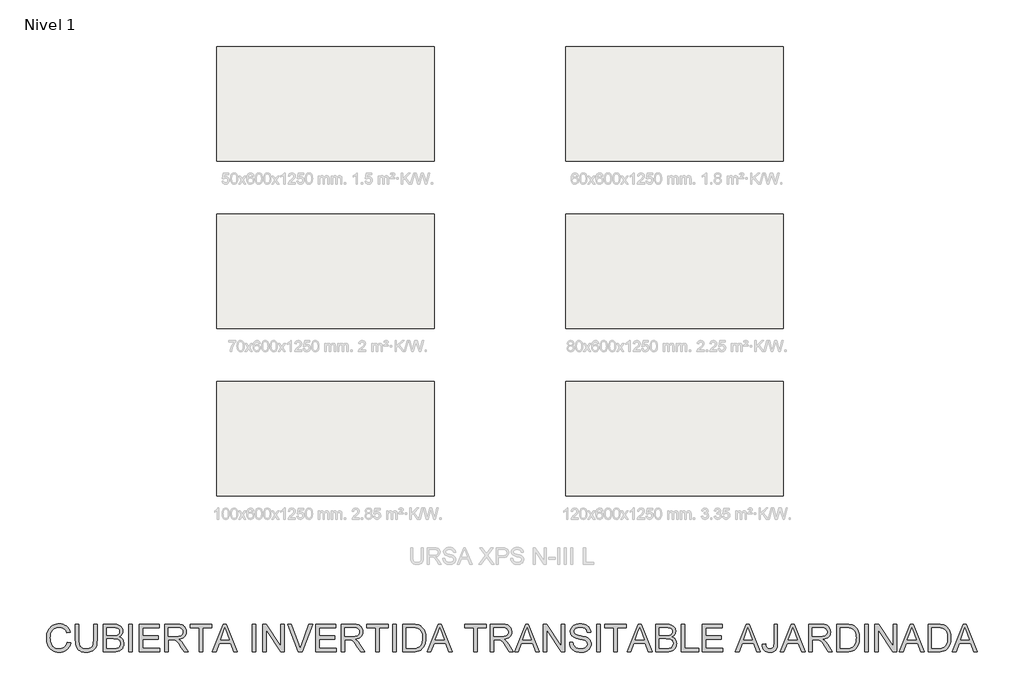
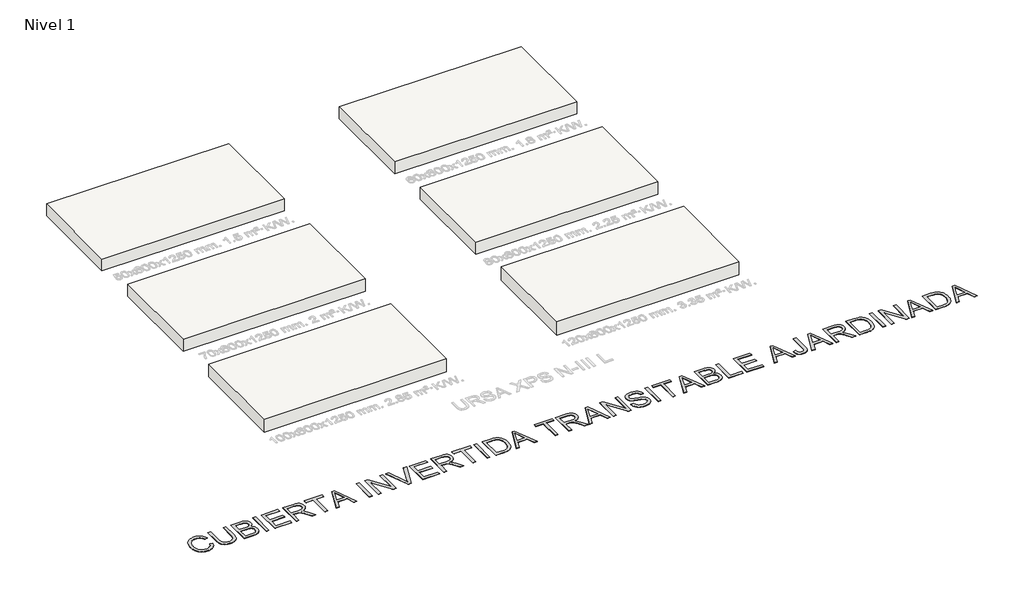
# One storey, part 1 of 7: 6 roofs, 1 proxy.
"""IFC4 building model written with IfcOpenShell, lengths in millimetres."""

from ifc_helpers import new_model, si_unit, origin, origin_with_axes, place, context, project, spatial, polyline, outline, extrude, element, save

model = new_model("IFC4")

# Units and contexts
model_context = context("Model", 3, world=origin())
ifc_project = project(units=[si_unit("LENGTHUNIT", "METRE", prefix="MILLI")], contexts=[model_context])

# Site, building, storey
site = spatial("IfcSite", under=ifc_project)
building = spatial("IfcBuilding", under=site)
storey = spatial("IfcBuildingStorey", under=building, Name="Nivel 1", Elevation=0.0)

# Proxy
placement = place(None, origin())
element("IfcBuildingElementProxy", 1, Name="Texto de modelo 2", ObjectType="Texto de modelo 2", at=placement, inside=storey, context=model_context, shape_type="SweptSolid", body=[
    extrude(outline(polyline([(-31459.4791696, -17259.2340137), (-31333.908782, -17291.6076293), (-31358.7561451, -17369.698247), (-31391.8501962, -17437.9326929), (-31433.1909354, -17496.310967), (-31456.953813, -17521.8040396), (-31482.7783627, -17544.8330693), (-31539.4935036, -17582.9778337), (-31602.2173838, -17610.2240939), (-31670.9500032, -17626.5718501), (-31745.6913619, -17632.0211022), (-31822.2644663, -17627.8977581), (-31891.3419752, -17615.527726), (-31952.9238883, -17594.9110059), (-32007.0102058, -17566.0475977), (-32054.3443558, -17529.3666971), (-32095.6697666, -17485.2974997), (-32130.9864382, -17433.8400057), (-32160.2943705, -17374.9942149), (-32183.3099878, -17311.3046444), (-32199.7497144, -17245.3158116), (-32209.6135504, -17177.0277162), (-32212.9014958, -17106.4403584), (-32209.1843548, -17030.7026526), (-32198.0329318, -16959.9620106), (-32179.4472268, -16894.2184324), (-32153.4272399, -16833.471918), (-32120.5554508, -16778.7264786), (-32081.4143393, -16730.9861255), (-32036.0039055, -16690.2508587), (-31984.3241494, -16656.5206783), (-31928.1301747, -16630.0714957), (-31869.1770849, -16611.1792224), (-31807.4648803, -16599.8438584), (-31742.9935606, -16596.0654037), (-31671.1722652, -16600.9551686), (-31605.3137239, -16615.6244631), (-31545.4179366, -16640.0732874), (-31491.4849032, -16674.3016414), (-31444.4036721, -16717.4051485), (-31405.0632912, -16768.4794321), (-31373.4637606, -16827.5244924), (-31349.6050804, -16894.5403292), (-31475.1754681, -16924.4613981), (-31494.9491253, -16875.0809045), (-31518.7081709, -16832.8894381), (-31546.4526047, -16797.8869991), (-31578.1824268, -16770.0735875), (-31614.0815781, -16748.8820517), (-31654.3339998, -16733.7452404), (-31698.9396917, -16724.6631537), (-31747.8986539, -16721.6357914), (-31804.2305844, -16724.9927146), (-31855.7493921, -16735.0634842), (-31902.4550771, -16751.8481003), (-31944.3476393, -16775.3465627), (-31980.8982484, -16804.5012108), (-32011.5780739, -16838.2543839), (-32036.387116, -16876.6060819), (-32055.3253745, -16919.5563048), (-32069.3278829, -16965.1583438), (-32079.3296747, -17011.46549), (-32085.3307497, -17058.4777433), (-32087.3311081, -17106.1951037), (-32084.9628677, -17166.1598689), (-32077.8581467, -17222.2005595), (-32066.016945, -17274.3171755), (-32049.4392626, -17322.5097169), (-32027.8568522, -17365.8201576), (-32001.0014665, -17403.2904717), (-31968.8731056, -17434.920659), (-31931.4717695, -17460.7107197), (-31890.6138754, -17480.7219674), (-31848.1158407, -17495.0157158), (-31803.9776655, -17503.5919648), (-31758.1993497, -17506.4507145), (-31703.6071945, -17502.5572967), (-31653.3836379, -17490.8770433), (-31607.5286801, -17471.4099544), (-31566.0423209, -17444.15603), (-31529.9055791, -17409.2378972), (-31500.0994733, -17366.7781836), (-31476.6240035, -17316.7768891), (-31459.4791696, -17259.2340137)])), origin_with_axes(), (0.0, 0.0, 1.0), 10.0),
    extrude(outline(polyline([(-30502.0049635, -16611.7617022), (-30376.4345758, -16611.7617022), (-30376.4345758, -17191.2984719), (-30378.5652257, -17263.0584536), (-30384.9571754, -17327.0162713), (-30395.6104248, -17383.171925), (-30410.5249741, -17431.5254148), (-30430.98841, -17473.9084863), (-30458.2883198, -17512.1528854), (-30492.4247032, -17546.258612), (-30533.3975605, -17576.2256662), (-30581.2528767, -17600.6361694), (-30636.0366371, -17618.0722432), (-30697.7488418, -17628.5338874), (-30766.3894907, -17632.0211022), (-30833.3363496, -17628.9860757), (-30893.8912589, -17619.8809963), (-30948.0542185, -17604.705864), (-30995.8252284, -17583.4606788), (-31037.2119528, -17556.4596732), (-31072.2220561, -17524.0170797), (-31100.855538, -17486.1328984), (-31123.1123987, -17442.8071293), (-31139.79738, -17392.5529159), (-31151.7152238, -17333.8834019), (-31158.8659301, -17266.7985872), (-31161.2494989, -17191.2984719), (-31161.2494989, -16611.7617022), (-31035.6791112, -16611.7617022), (-31035.6791112, -17186.883888), (-31034.1309411, -17247.5920814), (-31029.486431, -17299.73169), (-31021.7455806, -17343.3027138), (-31010.9083902, -17378.3051528), (-30996.3004093, -17407.2681957), (-30977.2471876, -17432.7210313), (-30953.7487252, -17454.6636594), (-30925.805022, -17473.0960802), (-30893.9525726, -17487.6887327), (-30858.7278715, -17498.1120559), (-30820.1309189, -17504.3660498), (-30778.1617146, -17506.4507145), (-30708.9539142, -17502.3273704), (-30650.4453486, -17489.9573384), (-30602.6360176, -17469.3406182), (-30582.7435652, -17455.9397501), (-30565.5259214, -17440.47721), (-30550.6381969, -17422.0831102), (-30537.7355023, -17399.8875632), (-30517.885203, -17344.0921273), (-30505.9750234, -17273.0909022), (-30502.0049635, -17186.883888), (-30502.0049635, -16611.7617022)])), origin_with_axes(), (0.0, 0.0, 1.0), 10.0),
    extrude(outline(polyline([(-30156.6863974, -17616.3248037), (-30156.6863974, -16611.7617022), (-29773.3533584, -16611.7617022), (-29717.7495277, -16613.6087764), (-29667.92451, -16619.1499989), (-29623.8783053, -16628.3853699), (-29585.6109135, -16641.3148891), (-29552.1489804, -16658.0765125), (-29522.5191514, -16678.8081958), (-29496.7214265, -16703.509939), (-29474.7558057, -16732.181742), (-29457.212433, -16763.2064569), (-29444.6814526, -16794.9669358), (-29437.1628643, -16827.4631787), (-29434.6566682, -16860.6951856), (-29436.7643255, -16891.3903396), (-29443.0872972, -16921.181117), (-29453.6255836, -16950.0675178), (-29468.3791844, -16978.0495421), (-29487.394085, -17004.25347), (-29510.7162707, -17027.8055819), (-29538.3457414, -17048.7058778), (-29570.2824971, -17066.9543576), (-29532.3829874, -17083.1105085), (-29499.1279878, -17104.1104391), (-29470.5174985, -17129.9541492), (-29446.5515194, -17160.641639), (-29427.6132608, -17195.237875), (-29414.0859333, -17232.8078237), (-29405.9695368, -17273.3514853), (-29403.2640713, -17316.8688596), (-29405.1111455, -17352.5304205), (-29410.652368, -17386.9197229), (-29419.8877389, -17420.0367666), (-29432.8172582, -17451.8815519), (-29448.4752356, -17481.296783), (-29465.895981, -17507.1251648), (-29485.0794942, -17529.3666971), (-29506.0257753, -17548.0213799), (-29529.2253336, -17563.8556341), (-29555.1686784, -17577.6358805), (-29615.2867278, -17599.0343499), (-29688.3419607, -17612.0021903), (-29776.2964144, -17616.3248037), (-30156.6863974, -17616.3248037)]), holes=[polyline([(-30031.1160097, -17019.8654622), (-29801.8028994, -17019.8654622), (-29721.6046244, -17017.1676609), (-29667.8938531, -17009.074257), (-29642.8088996, -17000.9272036), (-29621.0195556, -16990.4655594), (-29602.5258211, -16977.6893243), (-29587.3276962, -16962.5984983), (-29575.4711661, -16945.3003803), (-29567.002216, -16925.9022692), (-29561.9208459, -16904.4041652), (-29560.2270559, -16880.806068), (-29561.8058828, -16858.2119821), (-29566.5423635, -16837.0281106), (-29574.4364979, -16817.2544533), (-29585.4882862, -16798.8910104), (-29599.4831304, -16782.6198963), (-29616.2064328, -16769.1232256), (-29635.6581933, -16758.4009983), (-29657.8384119, -16750.4532144), (-29721.7272518, -16740.612371), (-29819.2159805, -16737.3320899), (-30031.1160097, -16737.3320899), (-30031.1160097, -17019.8654622)]), polyline([(-30031.1160097, -17490.754416), (-29773.5986131, -17490.754416), (-29717.1900405, -17489.5281427), (-29680.401841, -17485.8493227), (-29637.1450497, -17474.966147), (-29601.5524667, -17458.5034278), (-29572.6124164, -17434.9283232), (-29549.3132234, -17402.7079918), (-29533.9541501, -17363.2833047), (-29528.834459, -17318.0951329), (-29530.3366438, -17290.933179), (-29534.8431982, -17265.610635), (-29542.3541223, -17242.1275009), (-29552.869416, -17220.4837769), (-29566.7492971, -17201.3002637), (-29584.3539834, -17185.1977622), (-29605.6834749, -17172.1762724), (-29630.7377716, -17162.2357943), (-29660.6205195, -17154.8858186), (-29696.4353646, -17149.635836), (-29785.8613463, -17145.4358499), (-30031.1160097, -17145.4358499), (-30031.1160097, -17490.754416)])]), origin_with_axes(), (0.0, 0.0, 1.0), 10.0),
    extrude(outline(polyline([(-29214.9084897, -17616.3248037), (-29214.9084897, -16611.7617022), (-29089.3381021, -16611.7617022), (-29089.3381021, -17616.3248037), (-29214.9084897, -17616.3248037)])), origin_with_axes(), (0.0, 0.0, 1.0), 10.0),
    extrude(outline(polyline([(-28838.1973267, -17616.3248037), (-28838.1973267, -16611.7617022), (-28116.1675975, -16611.7617022), (-28116.1675975, -16737.3320899), (-28712.626939, -16737.3320899), (-28712.626939, -17035.5617606), (-28147.5601944, -17035.5617606), (-28147.5601944, -17161.1321483), (-28712.626939, -17161.1321483), (-28712.626939, -17490.754416), (-28100.471299, -17490.754416), (-28100.471299, -17616.3248037), (-28838.1973267, -17616.3248037)])), origin_with_axes(), (0.0, 0.0, 1.0), 10.0),
    extrude(outline(polyline([(-27912.1157175, -17616.3248037), (-27912.1157175, -16611.7617022), (-27479.2412365, -16611.7617022), (-27417.1075004, -16613.4554922), (-27362.8985555, -16618.5368623), (-27316.614402, -16627.0058124), (-27278.2550398, -16638.8623425), (-27245.5901843, -16655.0184935), (-27216.3895509, -16676.386306), (-27190.6531397, -16702.9657802), (-27168.3809506, -16734.7569159), (-27150.4083823, -16770.0505948), (-27137.5708335, -16807.1376985), (-27129.8683042, -16846.0182268), (-27127.3007944, -16886.6921799), (-27131.55443, -16938.2876298), (-27144.3153367, -16985.6524366), (-27165.5835146, -17028.7866006), (-27195.3589636, -17067.6901216), (-27234.0248941, -17101.1213979), (-27281.9645166, -17127.8388278), (-27339.177831, -17147.8424113), (-27405.6648375, -17161.1321483), (-27364.278113, -17188.171475), (-27334.2957304, -17214.8429196), (-27282.8535647, -17275.8500172), (-27232.5150451, -17344.0921273), (-27065.0061099, -17616.3248037), (-27210.9326347, -17616.3248037), (-27341.6533703, -17408.1035944), (-27393.9539273, -17328.6410835), (-27436.0764157, -17270.2704736), (-27471.1784894, -17230.0793656), (-27502.4178022, -17205.1553604), (-27532.001646, -17190.5320511), (-27562.1373127, -17181.2430307), (-27634.9779478, -17176.8284468), (-27786.5453298, -17176.8284468), (-27786.5453298, -17616.3248037), (-27912.1157175, -17616.3248037)]), holes=[polyline([(-27786.5453298, -17051.2580591), (-27505.4834855, -17051.2580591), (-27424.7640444, -17046.8128183), (-27362.1321347, -17033.477096), (-27336.9475464, -17023.2530422), (-27314.9819257, -17010.361844), (-27296.2352723, -16994.8035013), (-27280.7075864, -16976.5780141), (-27268.5291596, -16956.5820948), (-27259.8302832, -16935.7124558), (-27254.6109574, -16913.969097), (-27252.8711821, -16891.3520185), (-27256.1897843, -16859.238986), (-27266.1455908, -16830.0996663), (-27282.7386016, -16803.9340594), (-27305.9688168, -16780.7421653), (-27336.3727308, -16761.7502573), (-27374.4868384, -16748.1846087), (-27420.3111394, -16740.0452196), (-27473.8456339, -16737.3320899), (-27786.5453298, -16737.3320899), (-27786.5453298, -17051.2580591)])]), origin_with_axes(), (0.0, 0.0, 1.0), 10.0),
    extrude(outline(polyline([(-26656.4118406, -17616.3248037), (-26656.4118406, -16737.3320899), (-26986.0341083, -16737.3320899), (-26986.0341083, -16611.7617022), (-26201.2191853, -16611.7617022), (-26201.2191853, -16737.3320899), (-26530.8414529, -16737.3320899), (-26530.8414529, -17616.3248037), (-26656.4118406, -17616.3248037)])), origin_with_axes(), (0.0, 0.0, 1.0), 10.0),
    extrude(outline(polyline([(-26176.9389736, -17616.3248037), (-25775.9475988, -16611.7617022), (-25669.0165656, -16611.7617022), (-25268.0251908, -17616.3248037), (-25400.7079637, -17616.3248037), (-25515.7324009, -17302.3988345), (-25929.4770181, -17302.3988345), (-26044.2562006, -17616.3248037), (-26176.9389736, -17616.3248037)]), holes=[polyline([(-25883.3691414, -17176.8284468), (-25561.595023, -17176.8284468), (-25652.0939938, -16929.8570007), (-25722.4820822, -16737.3320899), (-25785.0220214, -16908.2745903), (-25883.3691414, -17176.8284468)])]), origin_with_axes(), (0.0, 0.0, 1.0), 10.0),
    extrude(outline(polyline([(-24725.7671299, -17616.3248037), (-24725.7671299, -16611.7617022), (-24600.1967422, -16611.7617022), (-24600.1967422, -17616.3248037), (-24725.7671299, -17616.3248037)])), origin_with_axes(), (0.0, 0.0, 1.0), 10.0),
    extrude(outline(polyline([(-24349.0559669, -17616.3248037), (-24349.0559669, -16611.7617022), (-24214.6564113, -16611.7617022), (-23689.8114315, -17407.6130851), (-23689.8114315, -16611.7617022), (-23564.2410438, -16611.7617022), (-23564.2410438, -17616.3248037), (-23698.6405994, -17616.3248037), (-24223.4855792, -16820.2281661), (-24223.4855792, -17616.3248037), (-24349.0559669, -17616.3248037)])), origin_with_axes(), (0.0, 0.0, 1.0), 10.0),
    extrude(outline(polyline([(-23047.7347226, -17616.3248037), (-23447.499824, -16611.7617022), (-23313.1002685, -16611.7617022), (-23045.5274306, -17335.508214), (-23015.7903027, -17419.8145046), (-22991.32615, -17498.6025652), (-22966.4328017, -17416.994076), (-22937.8606334, -17335.508214), (-22669.5520316, -16611.7617022), (-22535.152476, -16611.7617022), (-22917.9950056, -17616.3248037), (-23047.7347226, -17616.3248037)])), origin_with_axes(), (0.0, 0.0, 1.0), 10.0),
    extrude(outline(polyline([(-22418.4112562, -17616.3248037), (-22418.4112562, -16611.7617022), (-21696.381527, -16611.7617022), (-21696.381527, -16737.3320899), (-22292.8408685, -16737.3320899), (-22292.8408685, -17035.5617606), (-21727.7741239, -17035.5617606), (-21727.7741239, -17161.1321483), (-22292.8408685, -17161.1321483), (-22292.8408685, -17490.754416), (-21680.6852285, -17490.754416), (-21680.6852285, -17616.3248037), (-22418.4112562, -17616.3248037)])), origin_with_axes(), (0.0, 0.0, 1.0), 10.0),
    extrude(outline(polyline([(-21492.329647, -17616.3248037), (-21492.329647, -16611.7617022), (-21059.455166, -16611.7617022), (-20997.3214299, -16613.4554922), (-20943.112485, -16618.5368623), (-20896.8283315, -16627.0058124), (-20858.4689693, -16638.8623425), (-20825.8041138, -16655.0184935), (-20796.6034804, -16676.386306), (-20770.8670692, -16702.9657802), (-20748.5948801, -16734.7569159), (-20730.6223118, -16770.0505948), (-20717.784763, -16807.1376985), (-20710.0822337, -16846.0182268), (-20707.5147239, -16886.6921799), (-20711.7683595, -16938.2876298), (-20724.5292662, -16985.6524366), (-20745.7974441, -17028.7866006), (-20775.5728931, -17067.6901216), (-20814.2388236, -17101.1213979), (-20862.1784461, -17127.8388278), (-20919.3917605, -17147.8424113), (-20985.878767, -17161.1321483), (-20944.4920425, -17188.171475), (-20914.5096599, -17214.8429196), (-20863.0674942, -17275.8500172), (-20812.7289746, -17344.0921273), (-20645.2200394, -17616.3248037), (-20791.1465642, -17616.3248037), (-20921.8672998, -17408.1035944), (-20974.1678568, -17328.6410835), (-21016.2903452, -17270.2704736), (-21051.3924189, -17230.0793656), (-21082.6317317, -17205.1553604), (-21112.2155755, -17190.5320511), (-21142.3512422, -17181.2430307), (-21215.1918773, -17176.8284468), (-21366.7592593, -17176.8284468), (-21366.7592593, -17616.3248037), (-21492.329647, -17616.3248037)]), holes=[polyline([(-21366.7592593, -17051.2580591), (-21085.697415, -17051.2580591), (-21004.9779739, -17046.8128183), (-20942.3460642, -17033.477096), (-20917.1614759, -17023.2530422), (-20895.1958552, -17010.361844), (-20876.4492018, -16994.8035013), (-20860.9215159, -16976.5780141), (-20848.7430891, -16956.5820948), (-20840.0442127, -16935.7124558), (-20834.8248869, -16913.969097), (-20833.0851116, -16891.3520185), (-20836.4037138, -16859.238986), (-20846.3595203, -16830.0996663), (-20862.9525311, -16803.9340594), (-20886.1827463, -16780.7421653), (-20916.5866603, -16761.7502573), (-20954.7007679, -16748.1846087), (-21000.5250689, -16740.0452196), (-21054.0595634, -16737.3320899), (-21366.7592593, -16737.3320899), (-21366.7592593, -17051.2580591)])]), origin_with_axes(), (0.0, 0.0, 1.0), 10.0),
    extrude(outline(polyline([(-20236.6257701, -17616.3248037), (-20236.6257701, -16737.3320899), (-20566.2480378, -16737.3320899), (-20566.2480378, -16611.7617022), (-19781.4331148, -16611.7617022), (-19781.4331148, -16737.3320899), (-20111.0553824, -16737.3320899), (-20111.0553824, -17616.3248037), (-20236.6257701, -17616.3248037)])), origin_with_axes(), (0.0, 0.0, 1.0), 10.0),
    extrude(outline(polyline([(-19624.4701301, -17616.3248037), (-19624.4701301, -16611.7617022), (-19498.8997425, -16611.7617022), (-19498.8997425, -17616.3248037), (-19624.4701301, -17616.3248037)])), origin_with_axes(), (0.0, 0.0, 1.0), 10.0),
    extrude(outline(polyline([(-19247.7589671, -17616.3248037), (-19247.7589671, -16611.7617022), (-18901.2141276, -16611.7617022), (-18797.655346, -16615.3792085), (-18721.9329686, -16626.2317273), (-18680.3316464, -16638.1725638), (-18641.857321, -16654.1294453), (-18606.5099927, -16674.102372), (-18574.2896612, -16698.0913437), (-18537.0569377, -16734.0211519), (-18504.8212778, -16774.6107987), (-18477.5826818, -16819.8602841), (-18455.3411495, -16869.7696081), (-18438.0660241, -16923.8789183), (-18425.7266489, -16981.728362), (-18418.3230237, -17043.3179394), (-18415.8551487, -17108.6476504), (-18417.5259461, -17164.174839), (-18422.5383382, -17216.4677318), (-18430.8923252, -17265.5263287), (-18442.587907, -17311.3506297), (-18473.1221126, -17392.1313845), (-18491.2403008, -17426.7965983), (-18511.2592127, -17457.6450364), (-18555.1597975, -17509.3631136), (-18602.9844569, -17548.7571439), (-18657.8908447, -17577.9731057), (-18723.0366146, -17599.1569773), (-18798.5443941, -17612.0328471), (-18884.5368105, -17616.3248037), (-19247.7589671, -17616.3248037)]), holes=[polyline([(-19122.1885794, -17490.754416), (-18899.9878543, -17490.754416), (-18808.0786692, -17486.2172047), (-18770.4474068, -17480.5456906), (-18738.3650311, -17472.6055709), (-18685.7579058, -17450.7165922), (-18663.9608976, -17436.9670026), (-18645.168259, -17421.3473463), (-18621.9993575, -17396.1704222), (-18601.5435857, -17366.9927815), (-18583.8009437, -17333.814424), (-18568.7714313, -17296.6353499), (-18556.8076023, -17255.378917), (-18548.2620101, -17209.9684832), (-18543.1346548, -17160.4040485), (-18541.4255363, -17106.685613), (-18544.7747953, -17033.7836643), (-18554.8225723, -16969.8335108), (-18571.5688673, -16914.8351526), (-18595.0136803, -16868.7885895), (-18623.2562876, -16830.6514893), (-18654.3959657, -16799.3815197), (-18688.4327145, -16774.9786807), (-18725.3665339, -16757.4429723), (-18757.280297, -16748.6444612), (-18797.5940323, -16742.3598105), (-18903.4214196, -16737.3320899), (-19122.1885794, -16737.3320899), (-19122.1885794, -17490.754416)])]), origin_with_axes(), (0.0, 0.0, 1.0), 10.0),
    extrude(outline(polyline([(-18360.1823401, -17616.3248037), (-17959.1909653, -16611.7617022), (-17852.259932, -16611.7617022), (-17451.2685573, -17616.3248037), (-17583.9513302, -17616.3248037), (-17698.9757674, -17302.3988345), (-18112.7203846, -17302.3988345), (-18227.4995671, -17616.3248037), (-18360.1823401, -17616.3248037)]), holes=[polyline([(-18066.6125079, -17176.8284468), (-17744.8383895, -17176.8284468), (-17835.3373603, -16929.8570007), (-17905.7254487, -16737.3320899), (-17968.2653879, -16908.2745903), (-18066.6125079, -17176.8284468)])]), origin_with_axes(), (0.0, 0.0, 1.0), 10.0),
    extrude(outline(polyline([(-16673.5660195, -17616.3248037), (-16673.5660195, -16737.3320899), (-17003.1882872, -16737.3320899), (-17003.1882872, -16611.7617022), (-16218.3733641, -16611.7617022), (-16218.3733641, -16737.3320899), (-16547.9956318, -16737.3320899), (-16547.9956318, -17616.3248037), (-16673.5660195, -17616.3248037)])), origin_with_axes(), (0.0, 0.0, 1.0), 10.0),
    extrude(outline(polyline([(-16077.106678, -17616.3248037), (-16077.106678, -16611.7617022), (-15644.232197, -16611.7617022), (-15582.0984609, -16613.4554922), (-15527.889516, -16618.5368623), (-15481.6053625, -16627.0058124), (-15443.2460003, -16638.8623425), (-15410.5811448, -16655.0184935), (-15381.3805114, -16676.386306), (-15355.6441002, -16702.9657802), (-15333.3719111, -16734.7569159), (-15315.3993428, -16770.0505948), (-15302.561794, -16807.1376985), (-15294.8592647, -16846.0182268), (-15292.2917549, -16886.6921799), (-15296.5453905, -16938.2876298), (-15309.3062972, -16985.6524366), (-15330.5744751, -17028.7866006), (-15360.3499241, -17067.6901216), (-15399.0158546, -17101.1213979), (-15446.9554771, -17127.8388278), (-15504.1687915, -17147.8424113), (-15570.655798, -17161.1321483), (-15529.2690735, -17188.171475), (-15499.2866909, -17214.8429196), (-15447.8445252, -17275.8500172), (-15397.5060056, -17344.0921273), (-15229.9970704, -17616.3248037), (-15375.9235952, -17616.3248037), (-15506.6443308, -17408.1035944), (-15558.9448878, -17328.6410835), (-15601.0673762, -17270.2704736), (-15636.1694499, -17230.0793656), (-15667.4087627, -17205.1553604), (-15696.9926065, -17190.5320511), (-15727.1282732, -17181.2430307), (-15799.9689083, -17176.8284468), (-15951.5362903, -17176.8284468), (-15951.5362903, -17616.3248037), (-16077.106678, -17616.3248037)]), holes=[polyline([(-15951.5362903, -17051.2580591), (-15670.474446, -17051.2580591), (-15589.7550049, -17046.8128183), (-15527.1230952, -17033.477096), (-15501.9385069, -17023.2530422), (-15479.9728862, -17010.361844), (-15461.2262328, -16994.8035013), (-15445.6985469, -16976.5780141), (-15433.5201201, -16956.5820948), (-15424.8212437, -16935.7124558), (-15419.6019179, -16913.969097), (-15417.8621426, -16891.3520185), (-15421.1807448, -16859.238986), (-15431.1365513, -16830.0996663), (-15447.7295621, -16803.9340594), (-15470.9597773, -16780.7421653), (-15501.3636913, -16761.7502573), (-15539.4777989, -16748.1846087), (-15585.3020999, -16740.0452196), (-15638.8365944, -16737.3320899), (-15951.5362903, -16737.3320899), (-15951.5362903, -17051.2580591)])]), origin_with_axes(), (0.0, 0.0, 1.0), 10.0),
    extrude(outline(polyline([(-15189.530051, -17616.3248037), (-14788.5386762, -16611.7617022), (-14681.607643, -16611.7617022), (-14280.6162682, -17616.3248037), (-14413.2990411, -17616.3248037), (-14528.3234783, -17302.3988345), (-14942.0680955, -17302.3988345), (-15056.847278, -17616.3248037), (-15189.530051, -17616.3248037)]), holes=[polyline([(-14895.9602188, -17176.8284468), (-14574.1861004, -17176.8284468), (-14664.6850712, -16929.8570007), (-14735.0731596, -16737.3320899), (-14797.6130988, -16908.2745903), (-14895.9602188, -17176.8284468)])]), origin_with_axes(), (0.0, 0.0, 1.0), 10.0),
    extrude(outline(polyline([(-14146.4619673, -17616.3248037), (-14146.4619673, -16611.7617022), (-14012.0624117, -16611.7617022), (-13487.2174319, -17407.6130851), (-13487.2174319, -16611.7617022), (-13361.6470443, -16611.7617022), (-13361.6470443, -17616.3248037), (-13496.0465998, -17616.3248037), (-14020.8915796, -16820.2281661), (-14020.8915796, -17616.3248037), (-14146.4619673, -17616.3248037)])), origin_with_axes(), (0.0, 0.0, 1.0), 10.0),
    extrude(outline(polyline([(-13188.9877612, -17271.0062376), (-13063.4173735, -17271.0062376), (-13057.6692173, -17307.5568466), (-13049.008662, -17340.6892188), (-13037.4357076, -17370.4033541), (-13022.950354, -17396.6992526), (-13004.8168374, -17420.1057445), (-12982.2993936, -17441.1516603), (-12955.3980227, -17459.837), (-12924.1127247, -17476.1617635), (-12889.5931308, -17489.4131796), (-12852.9888723, -17498.8784767), (-12814.2999491, -17504.557655), (-12773.5263613, -17506.4507145), (-12703.5674686, -17500.7178867), (-12671.8529749, -17493.551852), (-12642.3151164, -17483.5194034), (-12615.6819927, -17470.9807588), (-12592.6817038, -17456.2961358), (-12573.3142496, -17439.4655345), (-12557.5796301, -17420.4889549), (-12545.4012032, -17400.1864673), (-12536.7023269, -17379.378142), (-12531.4830011, -17358.0639789), (-12529.7432258, -17336.243978), (-12534.9548874, -17294.2134601), (-12550.5898722, -17257.8851131), (-12563.7416536, -17241.7672831), (-12582.3503511, -17226.891055), (-12606.415965, -17213.2564285), (-12635.9384951, -17200.8634038), (-12702.2492247, -17181.1510602), (-12818.7758467, -17152.9161171), (-12938.7973476, -17121.186295), (-12982.5982977, -17105.8961996), (-13015.5927141, -17090.9893146), (-13049.1236251, -17070.9857311), (-13078.1019965, -17048.7441988), (-13102.5278281, -17024.2647177), (-13122.4011201, -16997.5472878), (-13137.7985144, -16968.8678206), (-13148.7966532, -16938.5022276), (-13155.3955365, -16906.4505088), (-13157.5951643, -16872.7126641), (-13154.8743703, -16835.3189921), (-13146.7119886, -16799.1669219), (-13133.108019, -16764.2564534), (-13114.0624615, -16730.5875866), (-13089.789914, -16699.5322149), (-13060.5049744, -16672.4622314), (-13026.2076425, -16649.3776362), (-12986.8979185, -16630.2784293), (-12943.9017103, -16615.3102306), (-12898.544926, -16604.6186601), (-12850.8275655, -16598.2037178), (-12800.7496289, -16596.0654037), (-12746.1191527, -16598.3033525), (-12694.7996143, -16605.017199), (-12646.791014, -16616.206943), (-12602.0933515, -16631.8725846), (-12561.5343616, -16651.8761681), (-12525.9417785, -16676.0797377), (-12495.3156024, -16704.4832934), (-12469.6558333, -16737.0868352), (-12449.1617405, -16772.9400013), (-12434.0325934, -16811.0924299), (-12424.2683921, -16851.544121), (-12419.8691366, -16894.2950745), (-12545.4395243, -16894.2950745), (-12553.8394965, -16854.2265939), (-12568.4934627, -16819.3697748), (-12589.4014227, -16789.7246174), (-12616.5633767, -16765.2911215), (-12650.4851623, -16746.1919146), (-12691.6726174, -16732.5496239), (-12740.1257418, -16724.3642496), (-12795.8445357, -16721.6357914), (-12853.3414258, -16724.3335927), (-12902.4690006, -16732.4269966), (-12943.22726, -16745.9160031), (-12975.616204, -16764.8006122), (-13000.2949545, -16787.501997), (-13017.9226334, -16812.4413306), (-13028.4992408, -16839.618613), (-13032.0247766, -16869.0338442), (-13029.5262447, -16894.3410597), (-13022.030649, -16917.2876992), (-13009.5379896, -16937.8737625), (-12992.0482664, -16956.0992497), (-12964.5184305, -16973.3590466), (-12921.1696687, -16990.8027846), (-12862.0019811, -17008.4304635), (-12787.0153678, -17026.2420834), (-12648.5691103, -17059.903286), (-12599.8554027, -17075.1244035), (-12564.8146427, -17089.2725319), (-12526.3173247, -17110.7169866), (-12493.2309378, -17134.8285857), (-12465.5554819, -17161.6073292), (-12443.290957, -17191.0532173), (-12426.17678, -17223.0129656), (-12413.9523678, -17257.3332901), (-12406.6177206, -17294.0141907), (-12404.1728381, -17333.0556674), (-12406.9856026, -17372.3347346), (-12415.4238958, -17410.4641706), (-12429.4877179, -17447.4439753), (-12449.1770689, -17483.2741488), (-12474.1470593, -17516.5674693), (-12504.0527998, -17545.9367153), (-12538.8942905, -17571.3818866), (-12578.6715312, -17592.9029833), (-12622.2272266, -17610.0171603), (-12668.4040812, -17622.2415725), (-12717.202095, -17629.5762197), (-12768.621268, -17632.0211022), (-12832.8549972, -17629.3846145), (-12891.6471386, -17621.4751516), (-12944.9976921, -17608.2927135), (-12992.9066578, -17589.8373), (-13035.6652755, -17566.0782545), (-13073.5647852, -17536.9849201), (-13106.6051869, -17502.5572967), (-13134.7864806, -17462.7953844), (-13157.4878653, -17418.9867701), (-13174.0885404, -17372.4190409), (-13184.5885057, -17323.0921967), (-13188.9877612, -17271.0062376)])), origin_with_axes(), (0.0, 0.0, 1.0), 10.0),
    extrude(outline(polyline([(-12200.1209582, -17616.3248037), (-12200.1209582, -16611.7617022), (-12074.5505705, -16611.7617022), (-12074.5505705, -17616.3248037), (-12200.1209582, -17616.3248037)])), origin_with_axes(), (0.0, 0.0, 1.0), 10.0),
    extrude(outline(polyline([(-11572.2690197, -17616.3248037), (-11572.2690197, -16737.3320899), (-11901.8912874, -16737.3320899), (-11901.8912874, -16611.7617022), (-11117.0763644, -16611.7617022), (-11117.0763644, -16737.3320899), (-11446.698632, -16737.3320899), (-11446.698632, -17616.3248037), (-11572.2690197, -17616.3248037)])), origin_with_axes(), (0.0, 0.0, 1.0), 10.0),
    extrude(outline(polyline([(-11092.7961527, -17616.3248037), (-10691.8047779, -16611.7617022), (-10584.8737447, -16611.7617022), (-10183.8823699, -17616.3248037), (-10316.5651428, -17616.3248037), (-10431.58958, -17302.3988345), (-10845.3341972, -17302.3988345), (-10960.1133797, -17616.3248037), (-11092.7961527, -17616.3248037)]), holes=[polyline([(-10799.2263205, -17176.8284468), (-10477.4522021, -17176.8284468), (-10567.9511729, -16929.8570007), (-10638.3392613, -16737.3320899), (-10700.8792005, -16908.2745903), (-10799.2263205, -17176.8284468)])]), origin_with_axes(), (0.0, 0.0, 1.0), 10.0),
    extrude(outline(polyline([(-10049.728069, -17616.3248037), (-10049.728069, -16611.7617022), (-9666.39503, -16611.7617022), (-9610.7911993, -16613.6087764), (-9560.9661816, -16619.1499989), (-9516.9199769, -16628.3853699), (-9478.6525852, -16641.3148891), (-9445.190652, -16658.0765125), (-9415.560823, -16678.8081958), (-9389.7630981, -16703.509939), (-9367.7974773, -16732.181742), (-9350.2541046, -16763.2064569), (-9337.7231242, -16794.9669358), (-9330.2045359, -16827.4631787), (-9327.6983398, -16860.6951856), (-9329.8059971, -16891.3903396), (-9336.1289689, -16921.181117), (-9346.6672552, -16950.0675178), (-9361.420856, -16978.0495421), (-9380.4357567, -17004.25347), (-9403.7579423, -17027.8055819), (-9431.387413, -17048.7058778), (-9463.3241687, -17066.9543576), (-9425.424659, -17083.1105085), (-9392.1696595, -17104.1104391), (-9363.5591701, -17129.9541492), (-9339.593191, -17160.641639), (-9320.6549324, -17195.237875), (-9307.1276049, -17232.8078237), (-9299.0112084, -17273.3514853), (-9296.3057429, -17316.8688596), (-9298.1528171, -17352.5304205), (-9303.6940396, -17386.9197229), (-9312.9294105, -17420.0367666), (-9325.8589298, -17451.8815519), (-9341.5169073, -17481.296783), (-9358.9376526, -17507.1251648), (-9378.1211658, -17529.3666971), (-9399.0674469, -17548.0213799), (-9422.2670052, -17563.8556341), (-9448.2103501, -17577.6358805), (-9508.3283994, -17599.0343499), (-9581.3836323, -17612.0021903), (-9669.338086, -17616.3248037), (-10049.728069, -17616.3248037)]), holes=[polyline([(-9924.1576813, -17019.8654622), (-9694.844571, -17019.8654622), (-9614.646296, -17017.1676609), (-9560.9355248, -17009.074257), (-9535.8505712, -17000.9272036), (-9514.0612272, -16990.4655594), (-9495.5674927, -16977.6893243), (-9480.3693678, -16962.5984983), (-9468.5128377, -16945.3003803), (-9460.0438876, -16925.9022692), (-9454.9625175, -16904.4041652), (-9453.2687275, -16880.806068), (-9454.8475544, -16858.2119821), (-9459.5840351, -16837.0281106), (-9467.4781696, -16817.2544533), (-9478.5299578, -16798.8910104), (-9492.5248021, -16782.6198963), (-9509.2481044, -16769.1232256), (-9528.6998649, -16758.4009983), (-9550.8800836, -16750.4532144), (-9614.7689234, -16740.612371), (-9712.2576521, -16737.3320899), (-9924.1576813, -16737.3320899), (-9924.1576813, -17019.8654622)]), polyline([(-9924.1576813, -17490.754416), (-9666.6402847, -17490.754416), (-9610.2317121, -17489.5281427), (-9573.4435126, -17485.8493227), (-9530.1867213, -17474.966147), (-9494.5941383, -17458.5034278), (-9465.654088, -17434.9283232), (-9442.354895, -17402.7079918), (-9426.9958217, -17363.2833047), (-9421.8761306, -17318.0951329), (-9423.3783154, -17290.933179), (-9427.8848698, -17265.610635), (-9435.3957939, -17242.1275009), (-9445.9110876, -17220.4837769), (-9459.7909687, -17201.3002637), (-9477.395655, -17185.1977622), (-9498.7251465, -17172.1762724), (-9523.7794432, -17162.2357943), (-9553.6621911, -17154.8858186), (-9589.4770362, -17149.635836), (-9678.9030179, -17145.4358499), (-9924.1576813, -17145.4358499), (-9924.1576813, -17490.754416)])]), origin_with_axes(), (0.0, 0.0, 1.0), 10.0),
    extrude(outline(polyline([(-9123.6464598, -17616.3248037), (-9123.6464598, -16611.7617022), (-8998.0760721, -16611.7617022), (-8998.0760721, -17490.754416), (-8495.7945214, -17490.754416), (-8495.7945214, -17616.3248037), (-9123.6464598, -17616.3248037)])), origin_with_axes(), (0.0, 0.0, 1.0), 10.0),
    extrude(outline(polyline([(-8354.5278352, -17616.3248037), (-8354.5278352, -16611.7617022), (-7632.498106, -16611.7617022), (-7632.498106, -16737.3320899), (-8228.9574475, -16737.3320899), (-8228.9574475, -17035.5617606), (-7663.890703, -17035.5617606), (-7663.890703, -17161.1321483), (-8228.9574475, -17161.1321483), (-8228.9574475, -17490.754416), (-7616.8018076, -17490.754416), (-7616.8018076, -17616.3248037), (-8354.5278352, -17616.3248037)])), origin_with_axes(), (0.0, 0.0, 1.0), 10.0),
    extrude(outline(polyline([(-7153.025239, -17616.3248037), (-6752.0338642, -16611.7617022), (-6645.102831, -16611.7617022), (-6244.1114562, -17616.3248037), (-6376.7942292, -17616.3248037), (-6491.8186663, -17302.3988345), (-6905.5632836, -17302.3988345), (-7020.3424661, -17616.3248037), (-7153.025239, -17616.3248037)]), holes=[polyline([(-6859.4554068, -17176.8284468), (-6537.6812884, -17176.8284468), (-6628.1802592, -16929.8570007), (-6698.5683476, -16737.3320899), (-6761.1082868, -16908.2745903), (-6859.4554068, -17176.8284468)])]), origin_with_axes(), (0.0, 0.0, 1.0), 10.0),
    extrude(outline(polyline([(-6172.7423492, -17334.2819407), (-6047.1719615, -17318.0951329), (-6042.7420491, -17368.0197854), (-6034.1121507, -17409.3911814), (-6021.2822661, -17442.2093211), (-6004.2523954, -17466.4742043), (-5983.2831217, -17483.9639275), (-5958.635028, -17496.4565869), (-5930.3081144, -17503.9521826), (-5898.3023808, -17506.4507145), (-5851.9185925, -17500.7792004), (-5831.2788798, -17493.6898078), (-5812.3406212, -17483.7646581), (-5795.6633041, -17471.394626), (-5781.8064156, -17456.9705861), (-5770.7699558, -17440.4925384), (-5762.5539246, -17421.9604829), (-5752.3451992, -17371.2847381), (-5748.9422907, -17297.4937412), (-5748.9422907, -16611.7617022), (-5623.371903, -16611.7617022), (-5623.371903, -17295.2864492), (-5625.2649625, -17354.7530409), (-5630.9441408, -17407.0919189), (-5640.4094379, -17452.3030833), (-5653.660854, -17490.386534), (-5671.0279498, -17522.8597843), (-5692.8402865, -17551.2403474), (-5719.0978639, -17575.5282233), (-5749.8006821, -17595.723412), (-5784.1439991, -17611.6036514), (-5821.3230733, -17622.9466796), (-5861.3379045, -17629.7524965), (-5904.1884927, -17632.0211022), (-5966.06931, -17627.3382709), (-6020.2552622, -17613.2897772), (-6066.7463493, -17589.8756211), (-6105.5425714, -17557.0958025), (-6135.9541497, -17515.0729487), (-6157.2913054, -17463.9296872), (-6169.5540385, -17403.6660179), (-6172.7423492, -17334.2819407)])), origin_with_axes(), (0.0, 0.0, 1.0), 10.0),
    extrude(outline(polyline([(-5520.6101991, -17616.3248037), (-5119.6188243, -16611.7617022), (-5012.6877911, -16611.7617022), (-4611.6964163, -17616.3248037), (-4744.3791892, -17616.3248037), (-4859.4036264, -17302.3988345), (-5273.1482436, -17302.3988345), (-5387.9274261, -17616.3248037), (-5520.6101991, -17616.3248037)]), holes=[polyline([(-5227.0403669, -17176.8284468), (-4905.2662485, -17176.8284468), (-4995.7652193, -16929.8570007), (-5066.1533077, -16737.3320899), (-5128.6932469, -16908.2745903), (-5227.0403669, -17176.8284468)])]), origin_with_axes(), (0.0, 0.0, 1.0), 10.0),
    extrude(outline(polyline([(-4477.5421154, -17616.3248037), (-4477.5421154, -16611.7617022), (-4044.6676344, -16611.7617022), (-3982.5338983, -16613.4554922), (-3928.3249534, -16618.5368623), (-3882.0407999, -16627.0058124), (-3843.6814377, -16638.8623425), (-3811.0165822, -16655.0184935), (-3781.8159489, -16676.386306), (-3756.0795376, -16702.9657802), (-3733.8073485, -16734.7569159), (-3715.8347802, -16770.0505948), (-3702.9972314, -16807.1376985), (-3695.2947021, -16846.0182268), (-3692.7271924, -16886.6921799), (-3696.9808279, -16938.2876298), (-3709.7417346, -16985.6524366), (-3731.0099125, -17028.7866006), (-3760.7853615, -17067.6901216), (-3799.451292, -17101.1213979), (-3847.3909145, -17127.8388278), (-3904.604229, -17147.8424113), (-3971.0912354, -17161.1321483), (-3929.7045109, -17188.171475), (-3899.7221283, -17214.8429196), (-3848.2799627, -17275.8500172), (-3797.941443, -17344.0921273), (-3630.4325078, -17616.3248037), (-3776.3590326, -17616.3248037), (-3907.0797682, -17408.1035944), (-3959.3803252, -17328.6410835), (-4001.5028136, -17270.2704736), (-4036.6048873, -17230.0793656), (-4067.8442001, -17205.1553604), (-4097.4280439, -17190.5320511), (-4127.5637107, -17181.2430307), (-4200.4043457, -17176.8284468), (-4351.9717277, -17176.8284468), (-4351.9717277, -17616.3248037), (-4477.5421154, -17616.3248037)]), holes=[polyline([(-4351.9717277, -17051.2580591), (-4070.9098834, -17051.2580591), (-3990.1904423, -17046.8128183), (-3927.5585326, -17033.477096), (-3902.3739444, -17023.2530422), (-3880.4083236, -17010.361844), (-3861.6616702, -16994.8035013), (-3846.1339843, -16976.5780141), (-3833.9555575, -16956.5820948), (-3825.2566811, -16935.7124558), (-3820.0373553, -16913.969097), (-3818.29758, -16891.3520185), (-3821.6161822, -16859.238986), (-3831.5719887, -16830.0996663), (-3848.1649995, -16803.9340594), (-3871.3952147, -16780.7421653), (-3901.7991287, -16761.7502573), (-3939.9132363, -16748.1846087), (-3985.7375373, -16740.0452196), (-4039.2720318, -16737.3320899), (-4351.9717277, -16737.3320899), (-4351.9717277, -17051.2580591)])]), origin_with_axes(), (0.0, 0.0, 1.0), 10.0),
    extrude(outline(polyline([(-3472.9790139, -17616.3248037), (-3472.9790139, -16611.7617022), (-3126.4341744, -16611.7617022), (-3022.8753928, -16615.3792085), (-2947.1530155, -16626.2317273), (-2905.5516932, -16638.1725638), (-2867.0773678, -16654.1294453), (-2831.7300395, -16674.102372), (-2799.5097081, -16698.0913437), (-2762.2769845, -16734.0211519), (-2730.0413246, -16774.6107987), (-2702.8027286, -16819.8602841), (-2680.5611963, -16869.7696081), (-2663.2860709, -16923.8789183), (-2650.9466957, -16981.728362), (-2643.5430705, -17043.3179394), (-2641.0751955, -17108.6476504), (-2642.7459929, -17164.174839), (-2647.7583851, -17216.4677318), (-2656.112372, -17265.5263287), (-2667.8079538, -17311.3506297), (-2698.3421594, -17392.1313845), (-2716.4603477, -17426.7965983), (-2736.4792596, -17457.6450364), (-2780.3798443, -17509.3631136), (-2828.2045037, -17548.7571439), (-2883.1108915, -17577.9731057), (-2948.2566615, -17599.1569773), (-3023.764441, -17612.0328471), (-3109.7568573, -17616.3248037), (-3472.9790139, -17616.3248037)]), holes=[polyline([(-3347.4086262, -17490.754416), (-3125.2079011, -17490.754416), (-3033.298716, -17486.2172047), (-2995.6674536, -17480.5456906), (-2963.5850779, -17472.6055709), (-2910.9779526, -17450.7165922), (-2889.1809444, -17436.9670026), (-2870.3883058, -17421.3473463), (-2847.2194043, -17396.1704222), (-2826.7636325, -17366.9927815), (-2809.0209905, -17333.814424), (-2793.9914781, -17296.6353499), (-2782.0276491, -17255.378917), (-2773.4820569, -17209.9684832), (-2768.3547016, -17160.4040485), (-2766.6455832, -17106.685613), (-2769.9948422, -17033.7836643), (-2780.0426192, -16969.8335108), (-2796.7889141, -16914.8351526), (-2820.2337271, -16868.7885895), (-2848.4763345, -16830.6514893), (-2879.6160125, -16799.3815197), (-2913.6527613, -16774.9786807), (-2950.5865808, -16757.4429723), (-2982.5003438, -16748.6444612), (-3022.8140791, -16742.3598105), (-3128.6414664, -16737.3320899), (-3347.4086262, -16737.3320899), (-3347.4086262, -17490.754416)])]), origin_with_axes(), (0.0, 0.0, 1.0), 10.0),
    extrude(outline(polyline([(-2452.7196139, -17616.3248037), (-2452.7196139, -16611.7617022), (-2327.1492263, -16611.7617022), (-2327.1492263, -17616.3248037), (-2452.7196139, -17616.3248037)])), origin_with_axes(), (0.0, 0.0, 1.0), 10.0),
    extrude(outline(polyline([(-2076.0084509, -17616.3248037), (-2076.0084509, -16611.7617022), (-1941.6088953, -16611.7617022), (-1416.7639155, -17407.6130851), (-1416.7639155, -16611.7617022), (-1291.1935278, -16611.7617022), (-1291.1935278, -17616.3248037), (-1425.5930834, -17616.3248037), (-1950.4380632, -16820.2281661), (-1950.4380632, -17616.3248037), (-2076.0084509, -17616.3248037)])), origin_with_axes(), (0.0, 0.0, 1.0), 10.0),
    extrude(outline(polyline([(-1188.4318239, -17616.3248037), (-787.4404491, -16611.7617022), (-680.5094158, -16611.7617022), (-279.5180411, -17616.3248037), (-412.200814, -17616.3248037), (-527.2252512, -17302.3988345), (-940.9698684, -17302.3988345), (-1055.7490509, -17616.3248037), (-1188.4318239, -17616.3248037)]), holes=[polyline([(-894.8619917, -17176.8284468), (-573.0878733, -17176.8284468), (-663.5868441, -16929.8570007), (-733.9749325, -16737.3320899), (-796.5148717, -16908.2745903), (-894.8619917, -17176.8284468)])]), origin_with_axes(), (0.0, 0.0, 1.0), 10.0),
    extrude(outline(polyline([(-145.3637402, -17616.3248037), (-145.3637402, -16611.7617022), (201.1810993, -16611.7617022), (304.7398809, -16615.3792085), (380.4622582, -16626.2317273), (422.0635805, -16638.1725638), (460.5379059, -16654.1294453), (495.8852342, -16674.102372), (528.1055656, -16698.0913437), (565.3382892, -16734.0211519), (597.5739491, -16774.6107987), (624.8125451, -16819.8602841), (647.0540774, -16869.7696081), (664.3292028, -16923.8789183), (676.668578, -16981.728362), (684.0722032, -17043.3179394), (686.5400782, -17108.6476504), (684.8692808, -17164.174839), (679.8568886, -17216.4677318), (671.5029017, -17265.5263287), (659.8073199, -17311.3506297), (629.2731143, -17392.1313845), (611.154926, -17426.7965983), (591.1360141, -17457.6450364), (547.2354294, -17509.3631136), (499.41077, -17548.7571439), (444.5043822, -17577.9731057), (379.3586123, -17599.1569773), (303.8508327, -17612.0328471), (217.8584164, -17616.3248037), (-145.3637402, -17616.3248037)]), holes=[polyline([(-19.7933525, -17490.754416), (202.4073726, -17490.754416), (294.3165577, -17486.2172047), (331.9478201, -17480.5456906), (364.0301958, -17472.6055709), (416.6373211, -17450.7165922), (438.4343293, -17436.9670026), (457.2269679, -17421.3473463), (480.3958694, -17396.1704222), (500.8516412, -17366.9927815), (518.5942832, -17333.814424), (533.6237956, -17296.6353499), (545.5876246, -17255.378917), (554.1332168, -17209.9684832), (559.2605721, -17160.4040485), (560.9696905, -17106.685613), (557.6204315, -17033.7836643), (547.5726546, -16969.8335108), (530.8263596, -16914.8351526), (507.3815466, -16868.7885895), (479.1389392, -16830.6514893), (447.9992612, -16799.3815197), (413.9625124, -16774.9786807), (377.028693, -16757.4429723), (345.1149299, -16748.6444612), (304.8011946, -16742.3598105), (198.9738073, -16737.3320899), (-19.7933525, -16737.3320899), (-19.7933525, -17490.754416)])]), origin_with_axes(), (0.0, 0.0, 1.0), 10.0),
    extrude(outline(polyline([(742.2128868, -17616.3248037), (1143.2042616, -16611.7617022), (1250.1352948, -16611.7617022), (1651.1266696, -17616.3248037), (1518.4438967, -17616.3248037), (1403.4194595, -17302.3988345), (989.6748423, -17302.3988345), (874.8956598, -17616.3248037), (742.2128868, -17616.3248037)]), holes=[polyline([(1035.782719, -17176.8284468), (1357.5568374, -17176.8284468), (1267.0578666, -16929.8570007), (1196.6697782, -16737.3320899), (1134.129839, -16908.2745903), (1035.782719, -17176.8284468)])]), origin_with_axes(), (0.0, 0.0, 1.0), 10.0),
])

# Roofs
element("IfcRoof", 2, at=placement, inside=storey, context=model_context, shape_type="SweptSolid", body=[
    extrude(outline(polyline([(-18117.4596431, -7778.5622442), (-18117.4596431, -11945.3771288), (-26017.4596431, -11945.3771288), (-26017.4596431, -7778.5622442), (-18117.4596431, -7778.5622442)])), origin_with_axes(), (0.0, 0.0, 1.0), 590.0),
])
element("IfcRoof", 3, at=placement, inside=storey, context=model_context, shape_type="SweptSolid", body=[
    extrude(outline(polyline([(-5417.4596431, -7778.5622442), (-5417.4596431, -11945.3771288), (-13317.4596431, -11945.3771288), (-13317.4596431, -7778.5622442), (-5417.4596431, -7778.5622442)])), origin_with_axes(), (0.0, 0.0, 1.0), 610.0),
])
element("IfcRoof", 4, at=placement, inside=storey, context=model_context, shape_type="SweptSolid", body=[
    extrude(outline(polyline([(-18117.4596431, -1678.5622442), (-18117.4596431, -5845.3771288), (-26017.4596431, -5845.3771288), (-26017.4596431, -1678.5622442), (-18117.4596431, -1678.5622442)])), origin_with_axes(), (0.0, 0.0, 1.0), 560.0),
])
element("IfcRoof", 5, at=placement, inside=storey, context=model_context, shape_type="SweptSolid", body=[
    extrude(outline(polyline([(-5417.4596431, -1678.5622442), (-5417.4596431, -5845.3771288), (-13317.4596431, -5845.3771288), (-13317.4596431, -1678.5622442), (-5417.4596431, -1678.5622442)])), origin_with_axes(), (0.0, 0.0, 1.0), 570.0),
])
element("IfcRoof", 6, at=placement, inside=storey, context=model_context, shape_type="SweptSolid", body=[
    extrude(outline(polyline([(-18117.4596431, 4421.4377558), (-18117.4596431, 254.6228712), (-26017.4596431, 254.6228712), (-26017.4596431, 4421.4377558), (-18117.4596431, 4421.4377558)])), origin_with_axes(), (0.0, 0.0, 1.0), 540.0),
])
element("IfcRoof", 7, at=placement, inside=storey, context=model_context, shape_type="SweptSolid", body=[
    extrude(outline(polyline([(-5417.4596431, 4421.4377558), (-5417.4596431, 254.6228712), (-13317.4596431, 254.6228712), (-13317.4596431, 4421.4377558), (-5417.4596431, 4421.4377558)])), origin_with_axes(), (0.0, 0.0, 1.0), 550.0),
])

save(model, "model.ifc")
